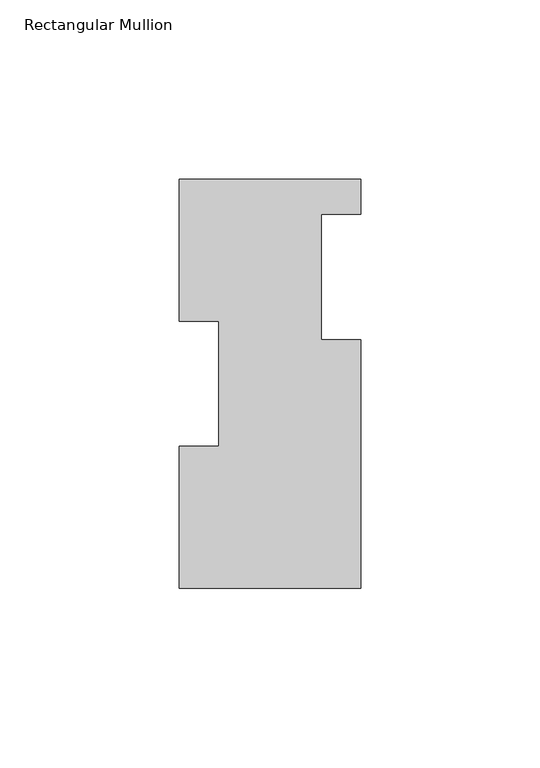
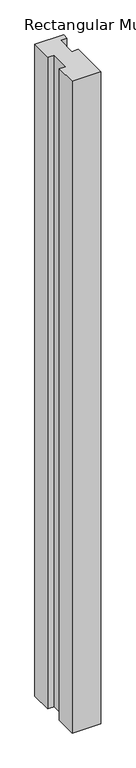
"""IFC4 building model written with IfcOpenShell, lengths in millimetres: member geometry, Rectangular Mullion."""

from ifc_helpers import new_model, si_unit, frame, origin, place, context, project, spatial, polyline, outline, extrude, source, transform, mapped, element, save


def rectangular_mullion_0f270784(model_context):
    return source(origin(), model_context, "Body", "SweptSolid", [
        extrude(outline(polyline([(-25.4, 114.0729875), (25.4, 114.0729875), (25.4, 104.1669875), (14.2875, 104.1669875), (14.2875, 69.2419875), (25.4, 69.2419875), (25.4, -0.2270125), (-25.4, -0.2270125), (-25.4, 39.4477875), (-14.2875, 39.4477875), (-14.2875, 74.3981875), (-25.4, 74.3981875), (-25.4, 114.0729875)])), frame((0.0, 0.0, -1219.2), z_axis=(0.0, 0.0, 1.0), x_axis=(1.0, 0.0, 0.0)), (0.0, 0.0, 1.0), 1219.2),
    ])


if __name__ == "__main__":
    model = new_model("IFC4")
    model_context = context("Model", 3, world=origin())
    ifc_project = project(units=[si_unit("LENGTHUNIT", "METRE", prefix="MILLI")], contexts=[model_context])
    site = spatial("IfcSite", under=ifc_project)
    building = spatial("IfcBuilding", under=site)
    placement = place(None, origin())
    rectangular_mullion_shape = rectangular_mullion_0f270784(model_context)
    element("IfcMember", 1, ObjectType="Rectangular Mullion", at=placement, inside=building, context=model_context, shape_type="MappedRepresentation", body=[
        mapped(rectangular_mullion_shape, transform((0.0, 0.0, 0.0), x_axis=(1.0, 0.0, 0.0), y_axis=(0.0, 1.0, 0.0), z_axis=(0.0, 0.0, 1.0))),
    ])
    save(model, "model.ifc")
